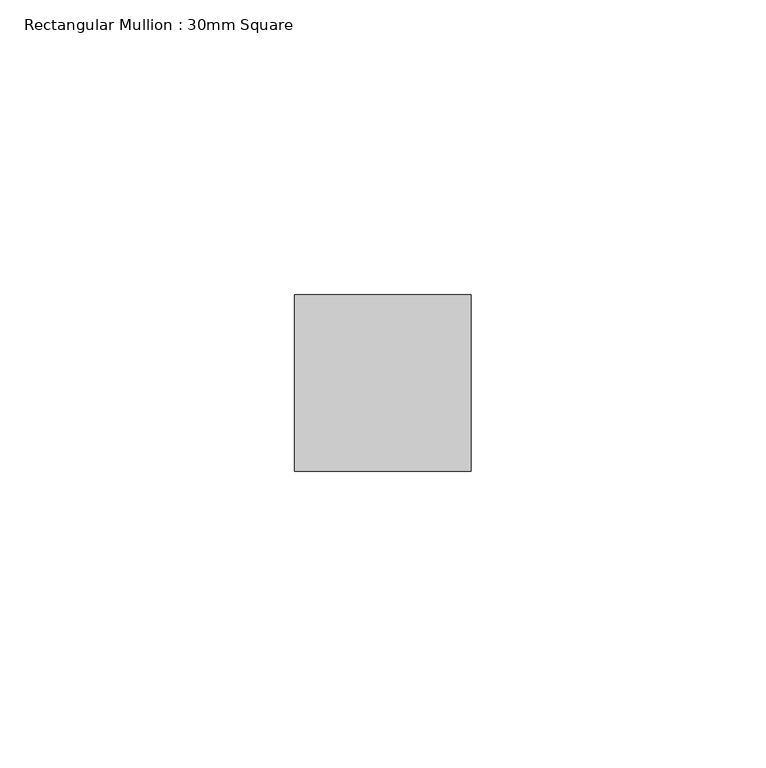
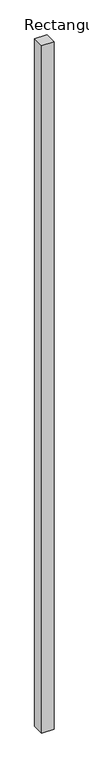
"""IFC4 building model written with IfcOpenShell, lengths in millimetres: member geometry, Rectangular Mullion : 30mm Square."""

from ifc_helpers import new_model, si_unit, frame, origin, place, context, project, spatial, polyline, outline, extrude, source, transform, mapped, element, save


def rectangular_mullion_30mm_square_3a547694(model_context):
    return source(origin(), model_context, "Body", "SweptSolid", [
        extrude(outline(polyline([(0.0, 15.0), (0.0, -15.0), (-30.0, -15.0), (-30.0, 15.0), (0.0, 15.0)])), frame((0.0, 0.0, -1788.6361161), z_axis=(0.0, 0.0, 1.0), x_axis=(1.0, 0.0, 0.0)), (0.0, 0.0, 1.0), 1788.6361161),
    ])


if __name__ == "__main__":
    model = new_model("IFC4")
    model_context = context("Model", 3, world=origin())
    ifc_project = project(units=[si_unit("LENGTHUNIT", "METRE", prefix="MILLI")], contexts=[model_context])
    site = spatial("IfcSite", under=ifc_project)
    building = spatial("IfcBuilding", under=site)
    placement = place(None, origin())
    rectangular_mullion_30mm_square_shape = rectangular_mullion_30mm_square_3a547694(model_context)
    element("IfcMember", 1, ObjectType="Rectangular Mullion : 30mm Square", at=placement, inside=building, context=model_context, shape_type="MappedRepresentation", body=[
        mapped(rectangular_mullion_30mm_square_shape, transform((0.0, 0.0, 0.0), x_axis=(1.0, 0.0, 0.0), y_axis=(0.0, 1.0, 0.0), z_axis=(0.0, 0.0, 1.0))),
    ])
    save(model, "model.ifc")
